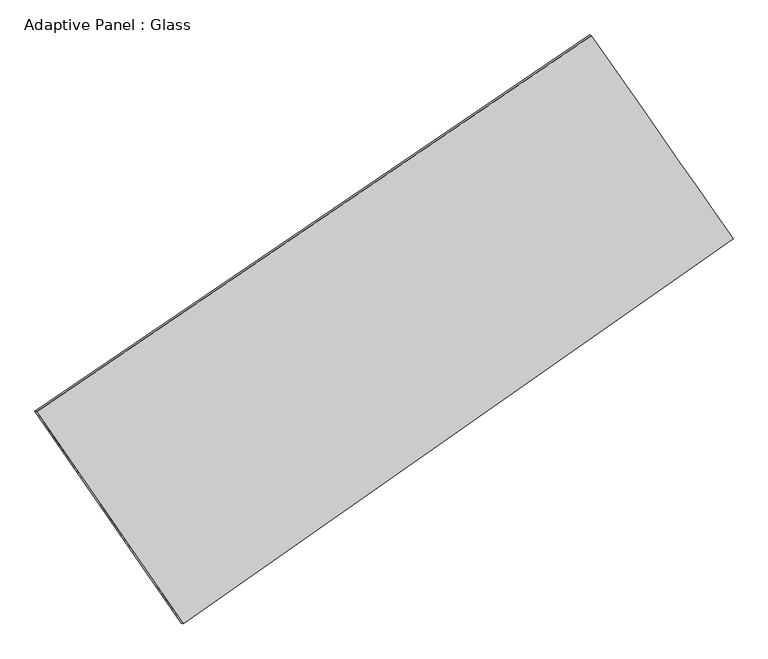
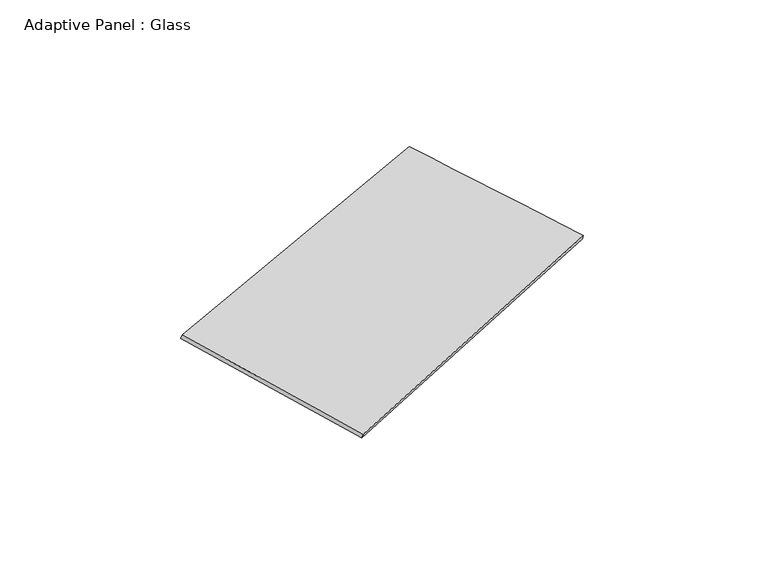
"""IFC4 building model written with IfcOpenShell, lengths in millimetres: plate geometry, Adaptive Panel : Glass."""

from ifc_helpers import new_model, si_unit, frame, origin, place, context, project, spatial, source, transform, mapped, element, save
from ifc_brep_helpers import plane_surface, spline_surface, advanced_brep


def adaptive_panel_glass_7e8e0639(model_context):
    return source(origin(), model_context, "Body", "AdvancedBrep", [
        advanced_brep(
        [(1125.8001207, 2424.8666053, 639.8611978), (-3673.9933627, -829.7068298, 1729.3509311), (-3659.3270068, -836.0869233, 1776.7238391), (1140.4664766, 2418.4865118, 687.2341058), (-2406.0829044, -2664.3172505, 1048.9535837), (-2391.4165485, -2670.697344, 1096.3264917), (2350.9855682, 668.9089021, 66.9568076), (2365.651924, 662.5288087, 114.3297156)],
        [
            (0, 1),
            (1, 2),
            (2, 3),
            (3, 0),
            (1, 4),
            (4, 5),
            (5, 2),
            (4, 6),
            (6, 7),
            (7, 5),
            (6, 0),
            (3, 7),
        ],
        [
            plane_surface(frame((-1274.096621, 797.5798878, 1184.6060645), z_axis=(-0.49903574335740636, 0.8248784924141038, 0.26559141477908643), x_axis=(-0.813439572546718, -0.5515651523406654, 0.18464004045285404))),
            plane_surface(frame((-3040.0381335, -1747.0120402, 1389.1522574), z_axis=(-0.782849336383641, -0.6009035765951158, 0.161436700161057), x_axis=(0.5437954423506429, -0.7868479818289297, -0.2918163298556289))),
            plane_surface(frame((-27.5486681, -997.7041742, 557.9551956), z_axis=(0.5148248295268947, -0.8139944613033978, -0.2690137763572629), x_axis=(0.807508384631831, 0.5658123446567072, -0.1666931293826192))),
            plane_surface(frame((1738.3928445, 1546.8877537, 353.4090027), z_axis=(0.7837243574910888, 0.5996431038728939, -0.16187735929666602), x_axis=(-0.5527672625263782, 0.7922359302808553, 0.25847743470392526))),
            spline_surface(1, 1, [[(-3659.3270068, -836.0869233, 1776.7238391), (1140.4664766, 2418.4865118, 687.2341058)], [(-2391.4165485, -2670.697344, 1096.3264917), (2365.651924, 662.5288087, 114.3297156)]], [2, 2], [2, 2], [0.0, 1.0], [0.0, 1.0]),
            spline_surface(1, 1, [[(2350.9855682, 668.9089021, 66.9568076), (1125.8001207, 2424.8666053, 639.8611978)], [(-2406.0829044, -2664.3172505, 1048.9535837), (-3673.9933627, -829.7068298, 1729.3509311)]], [2, 2], [2, 2], [0.0, 1.0], [0.0, 1.0]),
        ],
        [
            (0, [[1, 2, 3, 4]]),
            (1, [[5, 6, 7, -2]]),
            (2, [[8, 9, 10, -6]]),
            (3, [[11, -4, 12, -9]]),
            (4, [[-3, -7, -10, -12]]),
            (5, [[-11, -8, -5, -1]]),
        ],
    ),
    ])


if __name__ == "__main__":
    model = new_model("IFC4")
    model_context = context("Model", 3, world=origin())
    ifc_project = project(units=[si_unit("LENGTHUNIT", "METRE", prefix="MILLI")], contexts=[model_context])
    site = spatial("IfcSite", under=ifc_project)
    building = spatial("IfcBuilding", under=site)
    placement = place(None, origin())
    adaptive_panel_glass_shape = adaptive_panel_glass_7e8e0639(model_context)
    element("IfcPlate", 1, ObjectType="Adaptive Panel : Glass", at=placement, inside=building, context=model_context, shape_type="MappedRepresentation", body=[
        mapped(adaptive_panel_glass_shape, transform((0.0, 0.0, 0.0), x_axis=(1.0, 0.0, 0.0), y_axis=(0.0, 1.0, 0.0), z_axis=(0.0, 0.0, 1.0))),
    ])
    save(model, "model.ifc")
